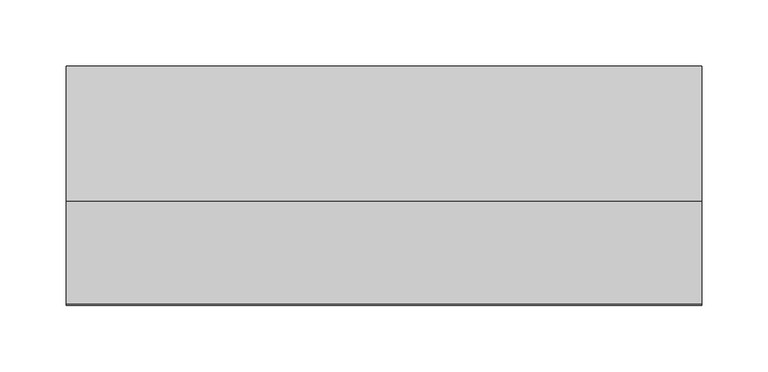
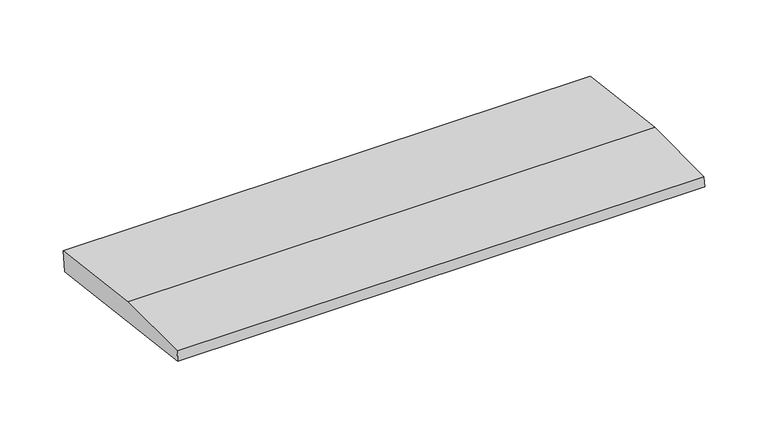
"""IFC4 building model written with IfcOpenShell, lengths in millimetres: beam geometry."""

from ifc_helpers import new_model, si_unit, frame, origin, place, context, project, spatial, polyline, outline, extrude, source, transform, mapped, element, save


def beam_c697fccd(model_context):
    return source(origin(), model_context, "Body", "SweptSolid", [
        extrude(outline(polyline([(0.0, -9.143159), (1.1226388, 0.0), (79.0749747, 0.0), (180.9387048, -12.5072934), (178.6231873, -31.3656703), (0.0, -9.143159)])), frame((-240.0, 0.0, 0.0), z_axis=(1.0, 0.0, 0.0), x_axis=(0.0, 1.0, 0.0)), (0.0, 0.0, 1.0), 480.0),
    ])


if __name__ == "__main__":
    model = new_model("IFC4")
    model_context = context("Model", 3, world=origin())
    ifc_project = project(units=[si_unit("LENGTHUNIT", "METRE", prefix="MILLI")], contexts=[model_context])
    site = spatial("IfcSite", under=ifc_project)
    building = spatial("IfcBuilding", under=site)
    placement = place(None, origin())
    beam_shape = beam_c697fccd(model_context)
    element("IfcBeam", 1, at=placement, inside=building, context=model_context, shape_type="MappedRepresentation", body=[
        mapped(beam_shape, transform((0.0, 0.0, 0.0), x_axis=(1.0, 0.0, 0.0), y_axis=(0.0, 1.0, 0.0), z_axis=(0.0, 0.0, 1.0))),
    ])
    save(model, "model.ifc")
